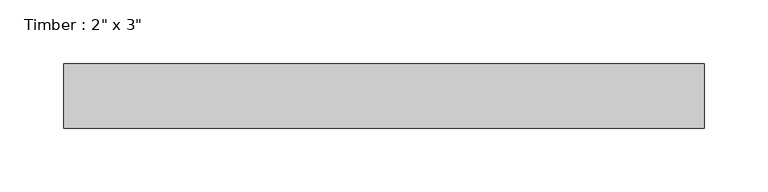
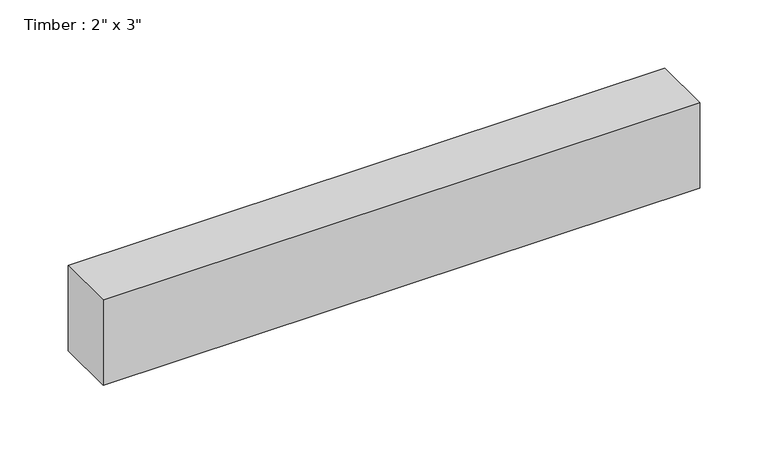
"""IFC4 building model written with IfcOpenShell, lengths in millimetres: beam geometry."""

from ifc_helpers import new_model, si_unit, frame, origin, place, context, project, spatial, polyline, outline, extrude, source, transform, mapped, element, save


def beam_f28061d4(model_context):
    return source(origin(), model_context, "Body", "SweptSolid", [
        extrude(outline(polyline([(251.7321802, 25.4), (251.7321802, -25.4), (-251.7321802, -25.4), (-251.7321802, 25.4), (251.7321802, 25.4)])), frame((0.0, 0.0, -38.1), z_axis=(0.0, 0.0, 1.0), x_axis=(1.0, 0.0, 0.0)), (0.0, 0.0, 1.0), 76.2),
    ])


if __name__ == "__main__":
    model = new_model("IFC4")
    model_context = context("Model", 3, world=origin())
    ifc_project = project(units=[si_unit("LENGTHUNIT", "METRE", prefix="MILLI")], contexts=[model_context])
    site = spatial("IfcSite", under=ifc_project)
    building = spatial("IfcBuilding", under=site)
    placement = place(None, origin())
    beam_shape = beam_f28061d4(model_context)
    element("IfcBeam", 1, ObjectType="Timber : 2\" x 3\"", at=placement, inside=building, context=model_context, shape_type="MappedRepresentation", body=[
        mapped(beam_shape, transform((0.0, 0.0, 0.0), x_axis=(1.0, 0.0, 0.0), y_axis=(0.0, 1.0, 0.0), z_axis=(0.0, 0.0, 1.0))),
    ])
    save(model, "model.ifc")
